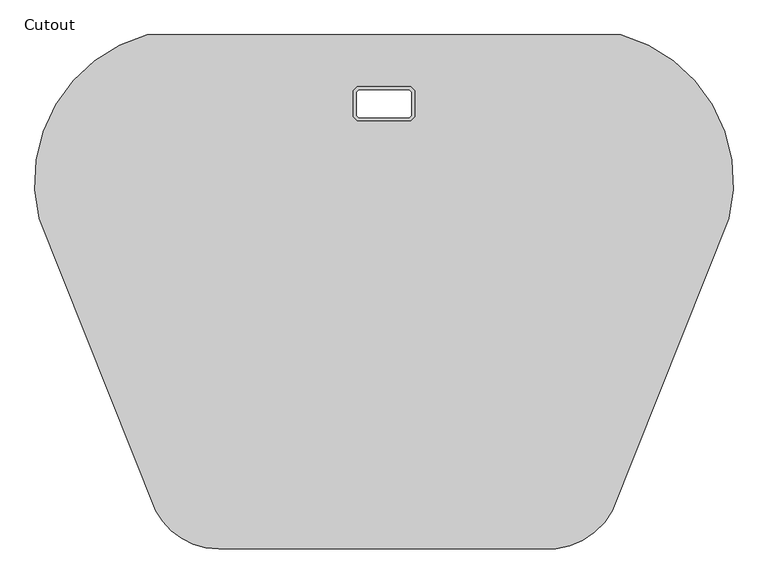
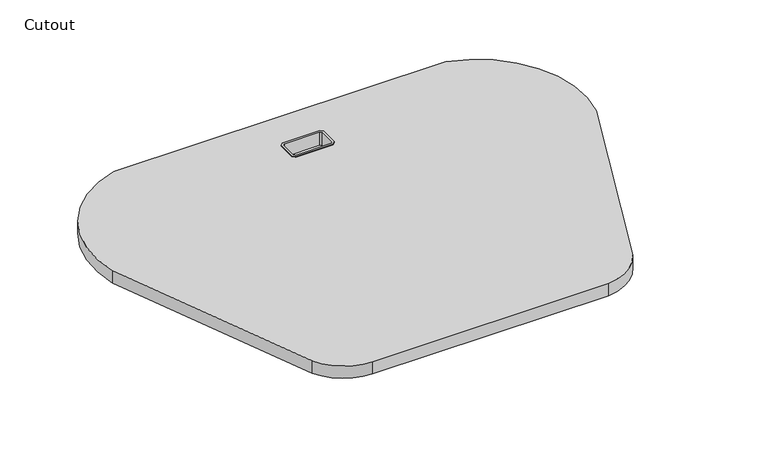
"""IFC4 building model written with IfcOpenShell, lengths in millimetres: furniture geometry, Cutout."""

from ifc_helpers import new_model, si_unit, point, frame, frame_2d, origin, place, context, project, spatial, polyline, circle_curve, trimmed, segment, composite_curve, outline, extrude, faceted_brep, source, transform, mapped, element, save


def cutout_4404b4c1(model_context):
    return source(origin(), model_context, "Body", "SolidModel", [
        extrude(outline(composite_curve([segment(trimmed(circle_curve(frame_2d((3392.1735039, 900.0160521)), 3736.2384926), [point((11.7680596, -691.3158133))], [point((-157.1382072, -266.9734299))], False, "CARTESIAN"), True, "CONTINUOUS"), segment(trimmed(circle_curve(frame_2d((57.8533234, -213.7837528)), 221.4734747), [point((-157.1382072, -266.9734299))], [point((0.0, 0.0))], False, "CARTESIAN"), True, "CONTINUOUS"), segment(polyline([(0.0, 0.0), (686.700888, 0.0)]), True, "CONTINUOUS"), segment(trimmed(circle_curve(frame_2d((628.8475645, -213.7837528)), 221.4734747), [point((686.700888, 0.0))], [point((843.8390952, -266.9734299))], False, "CARTESIAN"), True, "CONTINUOUS"), segment(trimmed(circle_curve(frame_2d((-2705.4726159, 900.0160521)), 3736.2384926), [point((843.8390952, -266.9734299))], [point((674.9328284, -691.3158133))], False, "CARTESIAN"), True, "CONTINUOUS"), segment(trimmed(circle_curve(frame_2d((582.1460324, -641.3767377)), 105.3722012), [point((674.9328284, -691.3158133))], [point((592.5564114, -746.2334246))], False, "CARTESIAN"), True, "CONTINUOUS"), segment(trimmed(circle_curve(frame_2d((345.3117872, 1744.0939838)), 2502.5707793), [point((592.5564114, -746.2334246))], [point((103.23014, -746.7406115))], False, "CARTESIAN"), True, "CONTINUOUS"), segment(trimmed(circle_curve(frame_2d((104.5548556, -641.3767377)), 105.3722012), [point((103.23014, -746.7406115))], [point((11.7680596, -691.3158133))], False, "CARTESIAN"), True, "CONTINUOUS")], self_intersect=False), holes=[polyline([(305.9695489, -78.4537305), (302.0468623, -82.376417), (302.0468623, -117.911342), (305.9695489, -121.8340285), (380.7313391, -121.8340285), (384.6540256, -117.911342), (384.6540256, -82.376417), (380.7313391, -78.4537305), (305.9695489, -78.4537305)])]), frame((0.0, 0.0, -14.224), z_axis=(0.0, 0.0, 1.0), x_axis=(1.0, 0.0, 0.0)), (0.0, 0.0, 1.0), 26.924),
        faceted_brep([(304.7341646, -75.4712491, 14.2875), (304.7341646, -75.4712491, 12.7), (299.064381, -81.1410328, 12.7), (299.064381, -81.1410328, 14.2875), (306.6271129, -80.0412305, -14.224), (306.6271129, -80.0412305, 14.2875), (303.6343623, -83.033981, 14.2875), (303.6343623, -83.033981, -14.224), (305.9695489, -78.4537305, 12.7), (305.9695489, -78.4537305, -14.224), (302.0468623, -82.376417, -14.224), (302.0468623, -82.376417, 12.7), (299.064381, -119.1467262, 12.7), (299.064381, -119.1467262, 14.2875), (303.6343623, -117.253778, 14.2875), (303.6343623, -117.253778, -14.224), (302.0468623, -117.911342, -14.224), (302.0468623, -117.911342, 12.7), (304.7341646, -124.8165099, 12.7), (304.7341646, -124.8165099, 14.2875), (306.6271129, -120.2465285, 14.2875), (306.6271129, -120.2465285, -14.224), (305.9695489, -121.8340285, -14.224), (305.9695489, -121.8340285, 12.7), (381.9667233, -124.8165099, 12.7), (381.9667233, -124.8165099, 14.2875), (380.0737751, -120.2465285, 14.2875), (380.0737751, -120.2465285, -14.224), (380.7313391, -121.8340285, -14.224), (380.7313391, -121.8340285, 12.7), (387.636507, -119.1467262, 12.7), (387.636507, -119.1467262, 14.2875), (383.0665256, -117.253778, 14.2875), (383.0665256, -117.253778, -14.224), (384.6540256, -117.911342, -14.224), (384.6540256, -117.911342, 12.7), (387.636507, -81.1410328, 12.7), (387.636507, -81.1410328, 14.2875), (383.0665256, -83.033981, 14.2875), (383.0665256, -83.033981, -14.224), (384.6540256, -82.376417, -14.224), (384.6540256, -82.376417, 12.7), (381.9667233, -75.4712491, 12.7), (381.9667233, -75.4712491, 14.2875), (380.0737751, -80.0412305, 14.2875), (380.0737751, -80.0412305, -14.224), (380.7313391, -78.4537305, -14.224), (380.7313391, -78.4537305, 12.7)], [[[0, 1, 2, 3]], [[4, 5, 6, 7]], [[8, 9, 10, 11]], [[3, 2, 12, 13]], [[7, 6, 14, 15]], [[11, 10, 16, 17]], [[13, 12, 18, 19]], [[15, 14, 20, 21]], [[17, 16, 22, 23]], [[19, 18, 24, 25]], [[21, 20, 26, 27]], [[23, 22, 28, 29]], [[25, 24, 30, 31]], [[27, 26, 32, 33]], [[29, 28, 34, 35]], [[31, 30, 36, 37]], [[33, 32, 38, 39]], [[35, 34, 40, 41]], [[37, 36, 42, 43]], [[39, 38, 44, 45]], [[41, 40, 46, 47]], [[1, 42, 36, 30, 24, 18, 12, 2], [35, 41, 47, 8, 11, 17, 23, 29]], [[43, 42, 1, 0]], [[31, 37, 43, 0, 3, 13, 19, 25], [5, 44, 38, 32, 26, 20, 14, 6]], [[45, 44, 5, 4]], [[9, 46, 40, 34, 28, 22, 16, 10], [33, 39, 45, 4, 7, 15, 21, 27]], [[47, 46, 9, 8]]]),
    ])


if __name__ == "__main__":
    model = new_model("IFC4")
    model_context = context("Model", 3, world=origin())
    ifc_project = project(units=[si_unit("LENGTHUNIT", "METRE", prefix="MILLI")], contexts=[model_context])
    site = spatial("IfcSite", under=ifc_project)
    building = spatial("IfcBuilding", under=site)
    placement = place(None, origin())
    cutout_shape = cutout_4404b4c1(model_context)
    element("IfcFurniture", 1, ObjectType="Cutout", at=placement, inside=building, context=model_context, shape_type="MappedRepresentation", body=[
        mapped(cutout_shape, transform((0.0, 0.0, 0.0), x_axis=(1.0, 0.0, 0.0), y_axis=(0.0, 1.0, 0.0), z_axis=(0.0, 0.0, 1.0))),
    ])
    save(model, "model.ifc")
